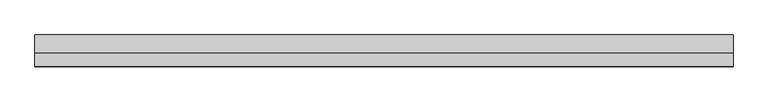
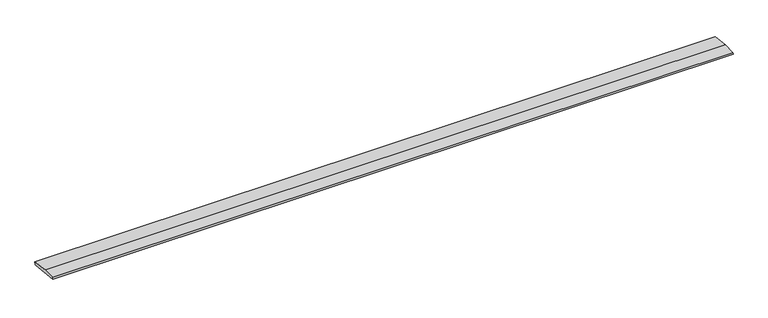
"""IFC4 building model written with IfcOpenShell, lengths in millimetres: beam geometry."""

from ifc_helpers import new_model, si_unit, frame, origin, place, context, project, spatial, polyline, outline, extrude, source, transform, mapped, element, save


def beam_f3d7bc39(model_context):
    return source(origin(), model_context, "Body", "SweptSolid", [
        extrude(outline(polyline([(0.0, -9.143159), (1.1226388, 0.0), (79.0749747, 0.0), (180.9387048, -12.5072934), (178.6231873, -31.3656703), (0.0, -9.143159)])), frame((-1970.2461987, 0.0, 0.0), z_axis=(1.0, 0.0, 0.0), x_axis=(0.0, 1.0, 0.0)), (0.0, 0.0, 1.0), 3940.4923973),
    ])


if __name__ == "__main__":
    model = new_model("IFC4")
    model_context = context("Model", 3, world=origin())
    ifc_project = project(units=[si_unit("LENGTHUNIT", "METRE", prefix="MILLI")], contexts=[model_context])
    site = spatial("IfcSite", under=ifc_project)
    building = spatial("IfcBuilding", under=site)
    placement = place(None, origin())
    beam_shape = beam_f3d7bc39(model_context)
    element("IfcBeam", 1, at=placement, inside=building, context=model_context, shape_type="MappedRepresentation", body=[
        mapped(beam_shape, transform((0.0, 0.0, 0.0), x_axis=(1.0, 0.0, 0.0), y_axis=(0.0, 1.0, 0.0), z_axis=(0.0, 0.0, 1.0))),
    ])
    save(model, "model.ifc")
